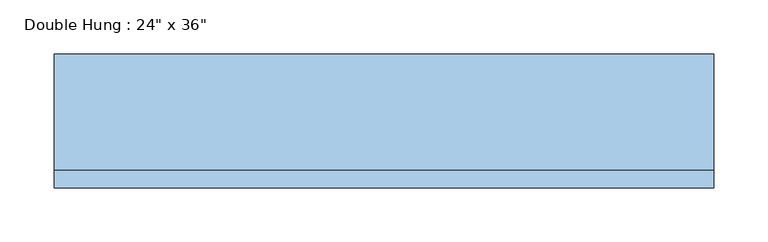
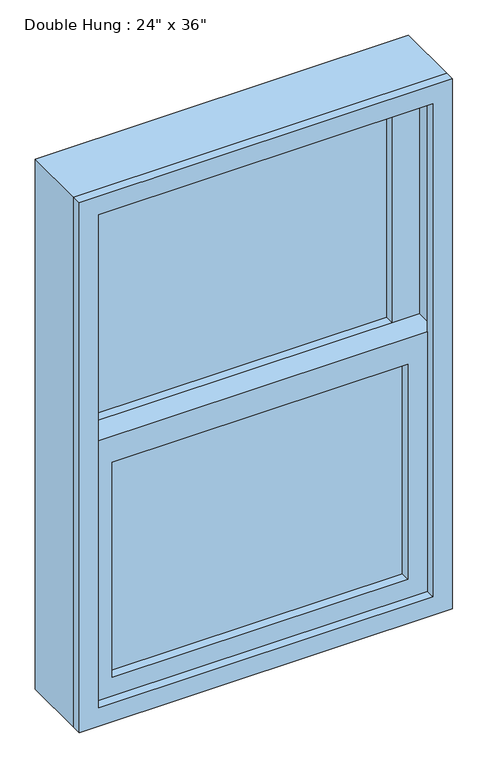
"""IFC4 building model written with IfcOpenShell, lengths in millimetres: window geometry."""

from ifc_helpers import new_model, si_unit, frame, origin, place, context, project, spatial, polyline, outline, extrude, source, transform, mapped, element, save


def window_dae2eb96(model_context):
    return source(origin(), model_context, "Body", "SweptSolid", [
        extrude(outline(polyline([(-241.3, -17.4625), (241.3, -17.4625), (241.3, -30.1625), (-241.3, -30.1625), (-241.3, -17.4625)])), frame((0.0, 0.0, 977.9), z_axis=(0.0, 0.0, 1.0), x_axis=(1.0, 0.0, 0.0)), (0.0, 0.0, 1.0), 371.475),
        extrude(outline(polyline([(1393.825, -285.75), (933.45, -285.75), (933.45, 285.75), (1393.825, 285.75), (1393.825, -285.75)]), holes=[polyline([(1349.375, -241.3), (1349.375, 241.3), (977.9, 241.3), (977.9, -241.3), (1349.375, -241.3)])]), frame((0.0, -46.0375, 0.0), z_axis=(0.0, 1.0, 0.0), x_axis=(0.0, 0.0, 1.0)), (0.0, 0.0, 1.0), 44.45),
        extrude(outline(polyline([(241.3, 14.2875), (-241.3, 14.2875), (-241.3, 26.9875), (241.3, 26.9875), (241.3, 14.2875)])), frame((0.0, 0.0, 1393.825), z_axis=(0.0, 0.0, 1.0), x_axis=(1.0, 0.0, 0.0)), (0.0, 0.0, 1.0), 371.475),
        extrude(outline(polyline([(1809.75, -285.75), (1349.375, -285.75), (1349.375, 285.75), (1809.75, 285.75), (1809.75, -285.75)]), holes=[polyline([(1765.3, -241.3), (1765.3, 241.3), (1393.825, 241.3), (1393.825, -241.3), (1765.3, -241.3)])]), frame((0.0, -1.5875, 0.0), z_axis=(0.0, 1.0, 0.0), x_axis=(0.0, 0.0, 1.0)), (0.0, 0.0, 1.0), 44.45),
        extrude(outline(polyline([(1828.8, -304.8), (914.4, -304.8), (914.4, 304.8), (1828.8, 304.8), (1828.8, -304.8)]), holes=[polyline([(1797.05, -273.05), (1797.05, 273.05), (946.15, 273.05), (946.15, -273.05), (1797.05, -273.05)])]), frame((0.0, -61.9125, 0.0), z_axis=(0.0, 1.0, 0.0), x_axis=(0.0, 0.0, 1.0)), (0.0, 0.0, 1.0), 15.875),
        extrude(outline(polyline([(1828.8, 304.8), (1828.8, -304.8), (914.4, -304.8), (914.4, 304.8), (1828.8, 304.8)]), holes=[polyline([(1809.75, 285.75), (933.45, 285.75), (933.45, -285.75), (1809.75, -285.75), (1809.75, 285.75)])]), frame((0.0, -46.0375, 0.0), z_axis=(0.0, 1.0, 0.0), x_axis=(0.0, 0.0, 1.0)), (0.0, 0.0, 1.0), 107.95),
    ])


if __name__ == "__main__":
    model = new_model("IFC4")
    model_context = context("Model", 3, world=origin())
    ifc_project = project(units=[si_unit("LENGTHUNIT", "METRE", prefix="MILLI")], contexts=[model_context])
    site = spatial("IfcSite", under=ifc_project)
    building = spatial("IfcBuilding", under=site)
    placement = place(None, origin())
    window_shape = window_dae2eb96(model_context)
    element("IfcWindow", 1, ObjectType="Double Hung : 24\" x 36\"", at=placement, inside=building, context=model_context, shape_type="MappedRepresentation", body=[
        mapped(window_shape, transform((0.0, 0.0, 0.0), x_axis=(1.0, 0.0, 0.0), y_axis=(0.0, 1.0, 0.0), z_axis=(0.0, 0.0, 1.0))),
    ])
    save(model, "model.ifc")
